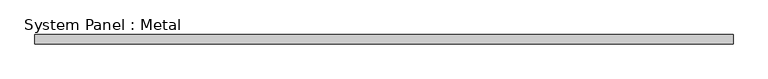
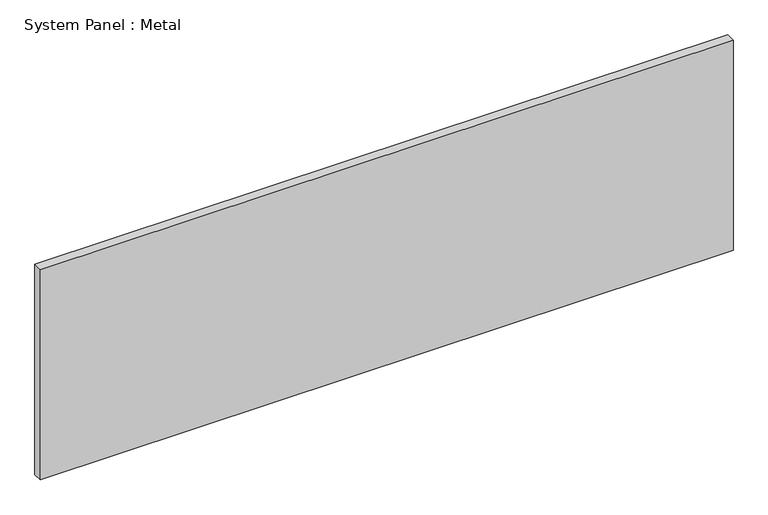
"""IFC4 building model written with IfcOpenShell, lengths in millimetres: plate geometry, System Panel : Metal."""

from ifc_helpers import new_model, si_unit, origin, origin_with_axes, place, context, project, spatial, polyline, outline, extrude, source, transform, mapped, element, save


def system_panel_metal_e2ebd083(model_context):
    return source(origin(), model_context, "Body", "SweptSolid", [
        extrude(outline(polyline([(600.0, -85.0), (-600.0, -85.0), (-600.0, -69.0), (600.0, -69.0), (600.0, -85.0)])), origin_with_axes(), (0.0, 0.0, 1.0), 385.0),
    ])


if __name__ == "__main__":
    model = new_model("IFC4")
    model_context = context("Model", 3, world=origin())
    ifc_project = project(units=[si_unit("LENGTHUNIT", "METRE", prefix="MILLI")], contexts=[model_context])
    site = spatial("IfcSite", under=ifc_project)
    building = spatial("IfcBuilding", under=site)
    placement = place(None, origin())
    system_panel_metal_shape = system_panel_metal_e2ebd083(model_context)
    element("IfcPlate", 1, ObjectType="System Panel : Metal", at=placement, inside=building, context=model_context, shape_type="MappedRepresentation", body=[
        mapped(system_panel_metal_shape, transform((0.0, 0.0, 0.0), x_axis=(1.0, 0.0, 0.0), y_axis=(0.0, 1.0, 0.0), z_axis=(0.0, 0.0, 1.0))),
    ])
    save(model, "model.ifc")
